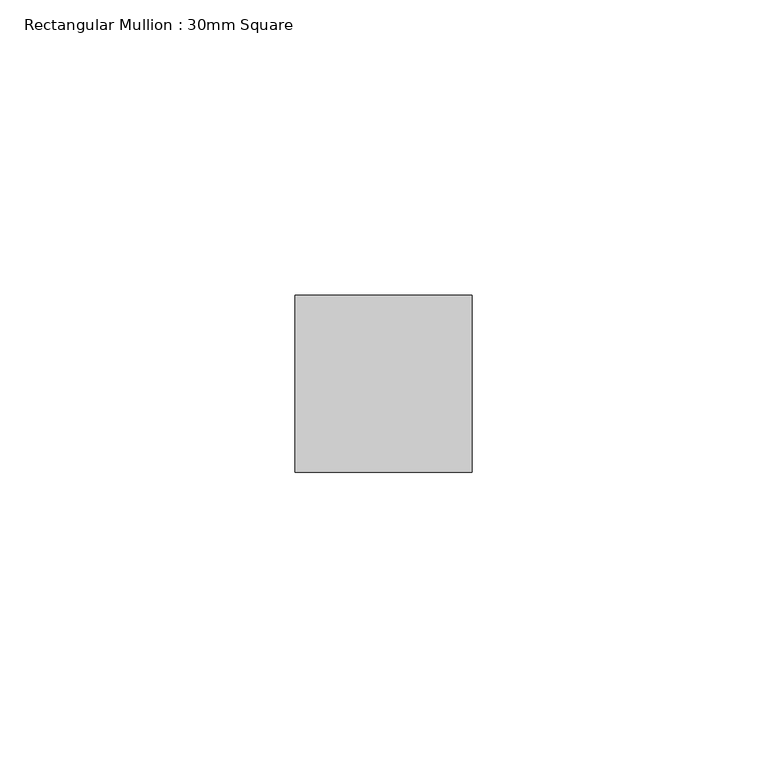
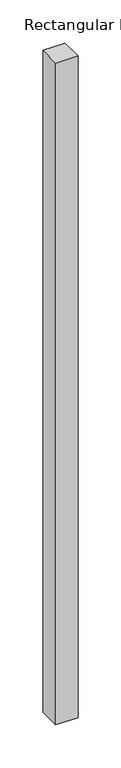
"""IFC4 building model written with IfcOpenShell, lengths in millimetres: member geometry, Rectangular Mullion : 30mm Square."""

from ifc_helpers import new_model, si_unit, frame, origin, place, context, project, spatial, polyline, outline, extrude, source, transform, mapped, element, save


def rectangular_mullion_30mm_square_10b34a25(model_context):
    return source(origin(), model_context, "Body", "SweptSolid", [
        extrude(outline(polyline([(0.0, 15.0), (0.0, -15.0), (-30.0, -15.0), (-30.0, 15.0), (0.0, 15.0)])), frame((0.0, 0.0, -938.235469), z_axis=(0.0, 0.0, 1.0), x_axis=(1.0, 0.0, 0.0)), (0.0, 0.0, 1.0), 938.235469),
    ])


if __name__ == "__main__":
    model = new_model("IFC4")
    model_context = context("Model", 3, world=origin())
    ifc_project = project(units=[si_unit("LENGTHUNIT", "METRE", prefix="MILLI")], contexts=[model_context])
    site = spatial("IfcSite", under=ifc_project)
    building = spatial("IfcBuilding", under=site)
    placement = place(None, origin())
    rectangular_mullion_30mm_square_shape = rectangular_mullion_30mm_square_10b34a25(model_context)
    element("IfcMember", 1, ObjectType="Rectangular Mullion : 30mm Square", at=placement, inside=building, context=model_context, shape_type="MappedRepresentation", body=[
        mapped(rectangular_mullion_30mm_square_shape, transform((0.0, 0.0, 0.0), x_axis=(1.0, 0.0, 0.0), y_axis=(0.0, 1.0, 0.0), z_axis=(0.0, 0.0, 1.0))),
    ])
    save(model, "model.ifc")
